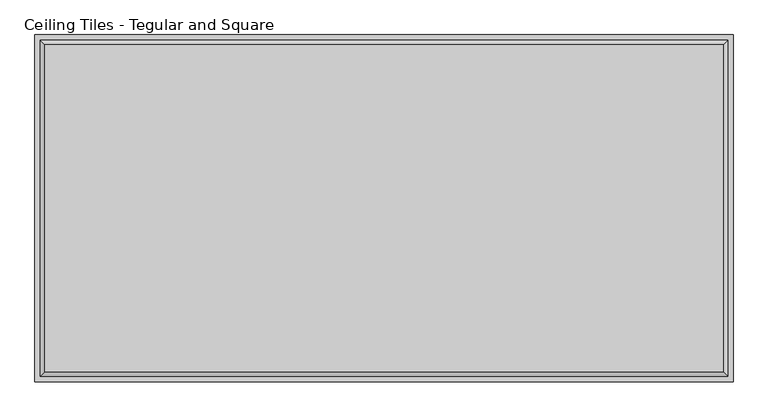
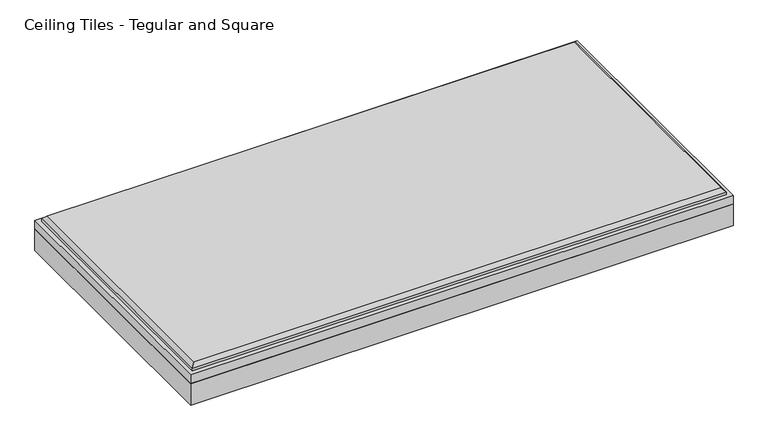
"""IFC4 building model written with IfcOpenShell, lengths in millimetres: proxy geometry, Ceiling Tiles - Tegular and Square."""

from ifc_helpers import new_model, si_unit, origin, origin_with_axes, place, context, project, spatial, polyline, outline, extrude, faceted_brep, source, transform, mapped, element, save


def ceiling_tiles_tegular_and_square_3ea9ccc3(model_context):
    return source(origin(), model_context, "Body", "SolidModel", [
        extrude(outline(polyline([(606.425, 301.625), (606.425, -301.625), (-606.425, -301.625), (-606.425, 301.625), (606.425, 301.625)])), origin_with_axes(), (0.0, 0.0, 1.0), 50.8),
        faceted_brep([(588.899, 284.099, 85.725), (-588.899, 284.099, 85.725), (-588.899, -284.099, 85.725), (588.899, -284.099, 85.725), (-606.425, 301.625, 50.8), (606.425, 301.625, 50.8), (606.425, -301.625, 50.8), (-606.425, -301.625, 50.8), (-606.425, -301.625, 71.4375), (-606.425, 301.625, 71.4375), (606.425, -301.625, 71.4375), (606.425, 301.625, 71.4375), (596.9, 292.1, 77.724), (-596.9, 292.1, 77.724), (-596.9, -292.1, 77.724), (596.9, -292.1, 77.724), (596.9, 292.1, 71.4375), (-596.9, 292.1, 71.4375), (-596.9, -292.1, 71.4375), (596.9, -292.1, 71.4375)], [[[0, 1, 2, 3]], [[4, 5, 6, 7]], [[4, 7, 8, 9]], [[7, 6, 10, 8]], [[6, 5, 11, 10]], [[5, 4, 9, 11]], [[12, 13, 1, 0]], [[1, 13, 14, 2]], [[2, 14, 15, 3]], [[12, 0, 3, 15]], [[16, 17, 13, 12]], [[13, 17, 18, 14]], [[14, 18, 19, 15]], [[16, 12, 15, 19]], [[9, 8, 10, 11], [17, 16, 19, 18]]]),
    ])


if __name__ == "__main__":
    model = new_model("IFC4")
    model_context = context("Model", 3, world=origin())
    ifc_project = project(units=[si_unit("LENGTHUNIT", "METRE", prefix="MILLI")], contexts=[model_context])
    site = spatial("IfcSite", under=ifc_project)
    building = spatial("IfcBuilding", under=site)
    placement = place(None, origin())
    ceiling_tiles_tegular_and_square_shape = ceiling_tiles_tegular_and_square_3ea9ccc3(model_context)
    element("IfcBuildingElementProxy", 1, Name="Ceiling Tiles - Tegular and Square", ObjectType="Ceiling Tiles - Tegular and Square", at=placement, inside=building, context=model_context, shape_type="MappedRepresentation", body=[
        mapped(ceiling_tiles_tegular_and_square_shape, transform((0.0, 0.0, 0.0), x_axis=(1.0, 0.0, 0.0), y_axis=(0.0, 1.0, 0.0), z_axis=(0.0, 0.0, 1.0))),
    ])
    save(model, "model.ifc")
